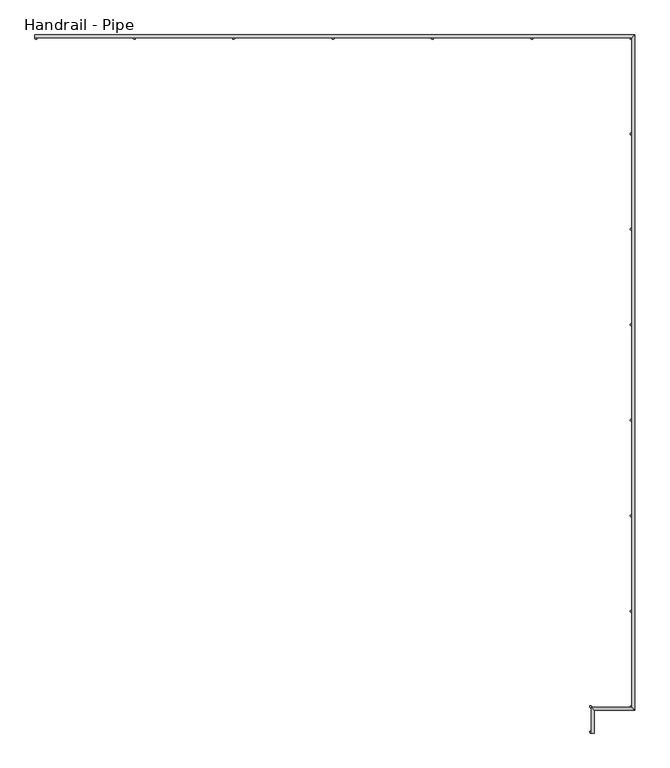
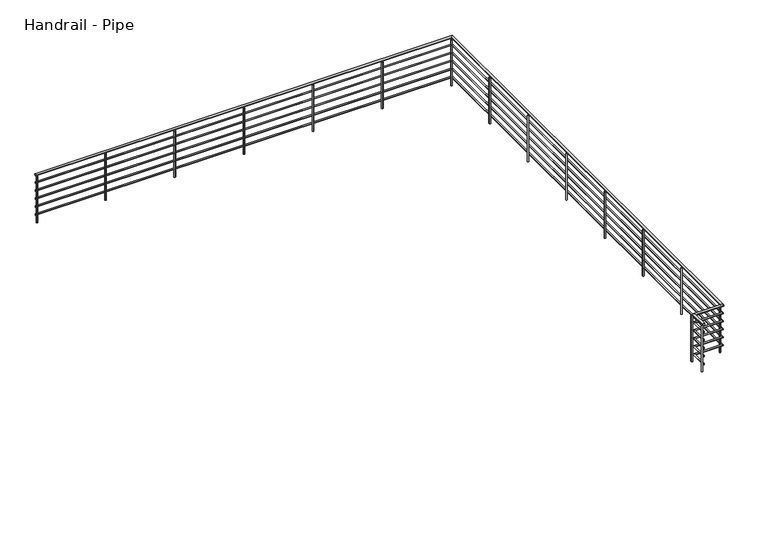
"""IFC4 building model written with IfcOpenShell, lengths in millimetres: railing geometry, Handrail - Pipe."""

from ifc_helpers import new_model, si_unit, point, frame, frame_2d, origin, place, context, project, spatial, circle_curve, ellipse_curve, trimmed, segment, composite_curve, outline, extrude, source, transform, mapped, element, save
from ifc_brep_helpers import plane_surface, cylinder_surface, advanced_brep


def handrail_pipe_a13389eb(model_context):
    return source(origin(), model_context, "Body", "SolidModel", [
        advanced_brep(
        [(58968.4929477, 15909.567798, 4248.15), (59006.5929477, 15909.567798, 4248.15), (58968.4929477, 16233.217798, 4248.15), (59006.5929477, 16195.117798, 4248.15), (59476.4929477, 16233.217798, 4248.15), (59514.5929477, 16195.117798, 4248.15), (59476.4929477, 24615.217798, 4248.15), (59514.5929477, 24653.317798, 4248.15), (52002.5429477, 24615.217798, 4248.15), (52002.5429477, 24653.317798, 4248.15)],
        [
            (0, 1, circle_curve(frame((58987.5429477, 15909.567798, 4248.15), z_axis=(0.0, -1.0, 0.0), x_axis=(1.0, 0.0, 0.0)), 19.05)),
            (1, 0, circle_curve(frame((58987.5429477, 15909.567798, 4248.15), z_axis=(0.0, -1.0, 0.0), x_axis=(1.0, 0.0, 0.0)), 19.05)),
            (0, 2),
            (2, 3, ellipse_curve(frame((58987.5429477, 16214.167798, 4248.15), z_axis=(-0.707106781186549, -0.707106781186546, 0.0), x_axis=(0.707106781186546, -0.707106781186549, 0.0)), 26.9407684, 19.05)),
            (3, 1),
            (3, 2, ellipse_curve(frame((58987.5429477, 16214.167798, 4248.15), z_axis=(-0.707106781186549, -0.707106781186546, 0.0), x_axis=(0.707106781186546, -0.707106781186549, 0.0)), 26.9407684, 19.05)),
            (2, 4),
            (4, 5, ellipse_curve(frame((59495.5429477, 16214.167798, 4248.15), z_axis=(-0.7071067811865498, -0.7071067811865454, 0.0), x_axis=(-0.7071067811865451, 0.7071067811865498, 0.0)), 26.9407684, 19.05)),
            (5, 3),
            (5, 4, ellipse_curve(frame((59495.5429477, 16214.167798, 4248.15), z_axis=(-0.7071067811865498, -0.7071067811865454, 0.0), x_axis=(-0.7071067811865451, 0.7071067811865498, 0.0)), 26.9407684, 19.05)),
            (4, 6),
            (6, 7, ellipse_curve(frame((59495.5429477, 24634.267798, 4248.15), z_axis=(0.7071067811865457, -0.7071067811865492, 0.0), x_axis=(-0.7071067811865491, -0.7071067811865459, 0.0)), 26.9407684, 19.05)),
            (7, 5),
            (7, 6, ellipse_curve(frame((59495.5429477, 24634.267798, 4248.15), z_axis=(0.7071067811865457, -0.7071067811865492, 0.0), x_axis=(-0.7071067811865491, -0.7071067811865459, 0.0)), 26.9407684, 19.05)),
            (8, 9, circle_curve(frame((52002.5429477, 24634.267798, 4248.15), z_axis=(-1.0, 0.0, 0.0), x_axis=(0.0, 1.0, 0.0)), 19.05)),
            (9, 8, circle_curve(frame((52002.5429477, 24634.267798, 4248.15), z_axis=(-1.0, 0.0, 0.0), x_axis=(0.0, 1.0, 0.0)), 19.05)),
            (6, 8),
            (9, 7),
        ],
        [
            plane_surface(frame((58987.5429477, 15909.567798, 4267.2), z_axis=(0.0, -1.0, 0.0), x_axis=(0.0, 0.0, 1.0))),
            cylinder_surface(frame((58987.5429477, 15909.567798, 4248.15), z_axis=(0.0, -1.0, 0.0), x_axis=(1.0, 0.0, 0.0)), 19.05),
            cylinder_surface(frame((58987.5429477, 16214.167798, 4248.15), z_axis=(-1.0, 0.0, 0.0), x_axis=(0.0, -1.0, 0.0)), 19.05),
            cylinder_surface(frame((59495.5429477, 16214.167798, 4248.15), z_axis=(0.0, -1.0, 0.0), x_axis=(1.0, 0.0, 0.0)), 19.05),
            plane_surface(frame((52002.5429477, 24634.267798, 4267.2), z_axis=(-1.0, 0.0, 0.0), x_axis=(0.0, -1.0, 0.0))),
            cylinder_surface(frame((59495.5429477, 24634.267798, 4248.15), z_axis=(1.0, 0.0, 0.0), x_axis=(0.0, 1.0, 0.0)), 19.05),
        ],
        [
            (0, [[1, 2]]),
            (1, [[-1, 3, 4, 5]]),
            (1, [[-2, -5, 6, -3]]),
            (2, [[-4, 7, 8, 9]]),
            (2, [[-6, -9, 10, -7]]),
            (3, [[-8, 11, 12, 13]]),
            (3, [[-10, -13, 14, -11]]),
            (4, [[15, 16]]),
            (5, [[-12, 17, -16, 18]]),
            (5, [[-14, -18, -15, -17]]),
        ],
    ),
        advanced_brep(
        [(58974.8429477, 15909.567798, 4102.1), (59000.2429477, 15909.567798, 4102.1), (58974.8429477, 16226.867798, 4102.1), (59000.2429477, 16201.467798, 4102.1), (59482.8429477, 16226.867798, 4102.1), (59508.2429477, 16201.467798, 4102.1), (59482.8429477, 24621.567798, 4102.1), (59508.2429477, 24646.967798, 4102.1), (52002.5429477, 24621.567798, 4102.1), (52002.5429477, 24646.967798, 4102.1)],
        [
            (0, 1, circle_curve(frame((58987.5429477, 15909.567798, 4102.1), z_axis=(0.0, -1.0, 0.0), x_axis=(1.0, 0.0, 0.0)), 12.7)),
            (1, 0, circle_curve(frame((58987.5429477, 15909.567798, 4102.1), z_axis=(0.0, -1.0, 0.0), x_axis=(1.0, 0.0, 0.0)), 12.7)),
            (0, 2),
            (2, 3, ellipse_curve(frame((58987.5429477, 16214.167798, 4102.1), z_axis=(-0.707106781186549, -0.707106781186546, 0.0), x_axis=(0.707106781186546, -0.707106781186549, 0.0)), 17.9605122, 12.7)),
            (3, 1),
            (3, 2, ellipse_curve(frame((58987.5429477, 16214.167798, 4102.1), z_axis=(-0.707106781186549, -0.707106781186546, 0.0), x_axis=(0.707106781186546, -0.707106781186549, 0.0)), 17.9605122, 12.7)),
            (2, 4),
            (4, 5, ellipse_curve(frame((59495.5429477, 16214.167798, 4102.1), z_axis=(-0.7071067811865498, -0.7071067811865454, 0.0), x_axis=(-0.7071067811865451, 0.7071067811865498, 0.0)), 17.9605122, 12.7)),
            (5, 3),
            (5, 4, ellipse_curve(frame((59495.5429477, 16214.167798, 4102.1), z_axis=(-0.7071067811865498, -0.7071067811865454, 0.0), x_axis=(-0.7071067811865451, 0.7071067811865498, 0.0)), 17.9605122, 12.7)),
            (4, 6),
            (6, 7, ellipse_curve(frame((59495.5429477, 24634.267798, 4102.1), z_axis=(0.7071067811865457, -0.7071067811865492, 0.0), x_axis=(-0.7071067811865491, -0.7071067811865459, 0.0)), 17.9605122, 12.7)),
            (7, 5),
            (7, 6, ellipse_curve(frame((59495.5429477, 24634.267798, 4102.1), z_axis=(0.7071067811865457, -0.7071067811865492, 0.0), x_axis=(-0.7071067811865491, -0.7071067811865459, 0.0)), 17.9605122, 12.7)),
            (8, 9, circle_curve(frame((52002.5429477, 24634.267798, 4102.1), z_axis=(-1.0, 0.0, 0.0), x_axis=(0.0, 1.0, 0.0)), 12.7)),
            (9, 8, circle_curve(frame((52002.5429477, 24634.267798, 4102.1), z_axis=(-1.0, 0.0, 0.0), x_axis=(0.0, 1.0, 0.0)), 12.7)),
            (6, 8),
            (9, 7),
        ],
        [
            plane_surface(frame((58987.5429477, 15909.567798, 4114.8), z_axis=(0.0, -1.0, 0.0), x_axis=(0.0, 0.0, 1.0))),
            cylinder_surface(frame((58987.5429477, 15909.567798, 4102.1), z_axis=(0.0, -1.0, 0.0), x_axis=(1.0, 0.0, 0.0)), 12.7),
            cylinder_surface(frame((58987.5429477, 16214.167798, 4102.1), z_axis=(-1.0, 0.0, 0.0), x_axis=(0.0, -1.0, 0.0)), 12.7),
            cylinder_surface(frame((59495.5429477, 16214.167798, 4102.1), z_axis=(0.0, -1.0, 0.0), x_axis=(1.0, 0.0, 0.0)), 12.7),
            plane_surface(frame((52002.5429477, 24634.267798, 4114.8), z_axis=(-1.0, 0.0, 0.0), x_axis=(0.0, -1.0, 0.0))),
            cylinder_surface(frame((59495.5429477, 24634.267798, 4102.1), z_axis=(1.0, 0.0, 0.0), x_axis=(0.0, 1.0, 0.0)), 12.7),
        ],
        [
            (0, [[1, 2]]),
            (1, [[-1, 3, 4, 5]]),
            (1, [[-2, -5, 6, -3]]),
            (2, [[-4, 7, 8, 9]]),
            (2, [[-6, -9, 10, -7]]),
            (3, [[-8, 11, 12, 13]]),
            (3, [[-10, -13, 14, -11]]),
            (4, [[15, 16]]),
            (5, [[-12, 17, -16, 18]]),
            (5, [[-14, -18, -15, -17]]),
        ],
    ),
        advanced_brep(
        [(58974.8429477, 15909.567798, 3949.7), (59000.2429477, 15909.567798, 3949.7), (58974.8429477, 16226.867798, 3949.7), (59000.2429477, 16201.467798, 3949.7), (59482.8429477, 16226.867798, 3949.7), (59508.2429477, 16201.467798, 3949.7), (59482.8429477, 24621.567798, 3949.7), (59508.2429477, 24646.967798, 3949.7), (52002.5429477, 24621.567798, 3949.7), (52002.5429477, 24646.967798, 3949.7)],
        [
            (0, 1, circle_curve(frame((58987.5429477, 15909.567798, 3949.7), z_axis=(0.0, -1.0, 0.0), x_axis=(1.0, 0.0, 0.0)), 12.7)),
            (1, 0, circle_curve(frame((58987.5429477, 15909.567798, 3949.7), z_axis=(0.0, -1.0, 0.0), x_axis=(1.0, 0.0, 0.0)), 12.7)),
            (0, 2),
            (2, 3, ellipse_curve(frame((58987.5429477, 16214.167798, 3949.7), z_axis=(-0.707106781186549, -0.707106781186546, 0.0), x_axis=(0.707106781186546, -0.707106781186549, 0.0)), 17.9605122, 12.7)),
            (3, 1),
            (3, 2, ellipse_curve(frame((58987.5429477, 16214.167798, 3949.7), z_axis=(-0.707106781186549, -0.707106781186546, 0.0), x_axis=(0.707106781186546, -0.707106781186549, 0.0)), 17.9605122, 12.7)),
            (2, 4),
            (4, 5, ellipse_curve(frame((59495.5429477, 16214.167798, 3949.7), z_axis=(-0.7071067811865498, -0.7071067811865454, 0.0), x_axis=(-0.7071067811865451, 0.7071067811865498, 0.0)), 17.9605122, 12.7)),
            (5, 3),
            (5, 4, ellipse_curve(frame((59495.5429477, 16214.167798, 3949.7), z_axis=(-0.7071067811865498, -0.7071067811865454, 0.0), x_axis=(-0.7071067811865451, 0.7071067811865498, 0.0)), 17.9605122, 12.7)),
            (4, 6),
            (6, 7, ellipse_curve(frame((59495.5429477, 24634.267798, 3949.7), z_axis=(0.7071067811865457, -0.7071067811865492, 0.0), x_axis=(-0.7071067811865491, -0.7071067811865459, 0.0)), 17.9605122, 12.7)),
            (7, 5),
            (7, 6, ellipse_curve(frame((59495.5429477, 24634.267798, 3949.7), z_axis=(0.7071067811865457, -0.7071067811865492, 0.0), x_axis=(-0.7071067811865491, -0.7071067811865459, 0.0)), 17.9605122, 12.7)),
            (8, 9, circle_curve(frame((52002.5429477, 24634.267798, 3949.7), z_axis=(-1.0, 0.0, 0.0), x_axis=(0.0, 1.0, 0.0)), 12.7)),
            (9, 8, circle_curve(frame((52002.5429477, 24634.267798, 3949.7), z_axis=(-1.0, 0.0, 0.0), x_axis=(0.0, 1.0, 0.0)), 12.7)),
            (6, 8),
            (9, 7),
        ],
        [
            plane_surface(frame((58987.5429477, 15909.567798, 3962.4), z_axis=(0.0, -1.0, 0.0), x_axis=(0.0, 0.0, 1.0))),
            cylinder_surface(frame((58987.5429477, 15909.567798, 3949.7), z_axis=(0.0, -1.0, 0.0), x_axis=(1.0, 0.0, 0.0)), 12.7),
            cylinder_surface(frame((58987.5429477, 16214.167798, 3949.7), z_axis=(-1.0, 0.0, 0.0), x_axis=(0.0, -1.0, 0.0)), 12.7),
            cylinder_surface(frame((59495.5429477, 16214.167798, 3949.7), z_axis=(0.0, -1.0, 0.0), x_axis=(1.0, 0.0, 0.0)), 12.7),
            plane_surface(frame((52002.5429477, 24634.267798, 3962.4), z_axis=(-1.0, 0.0, 0.0), x_axis=(0.0, -1.0, 0.0))),
            cylinder_surface(frame((59495.5429477, 24634.267798, 3949.7), z_axis=(1.0, 0.0, 0.0), x_axis=(0.0, 1.0, 0.0)), 12.7),
        ],
        [
            (0, [[1, 2]]),
            (1, [[-1, 3, 4, 5]]),
            (1, [[-2, -5, 6, -3]]),
            (2, [[-4, 7, 8, 9]]),
            (2, [[-6, -9, 10, -7]]),
            (3, [[-8, 11, 12, 13]]),
            (3, [[-10, -13, 14, -11]]),
            (4, [[15, 16]]),
            (5, [[-12, 17, -16, 18]]),
            (5, [[-14, -18, -15, -17]]),
        ],
    ),
        advanced_brep(
        [(58974.8429477, 15909.567798, 3797.3), (59000.2429477, 15909.567798, 3797.3), (58974.8429477, 16226.867798, 3797.3), (59000.2429477, 16201.467798, 3797.3), (59482.8429477, 16226.867798, 3797.3), (59508.2429477, 16201.467798, 3797.3), (59482.8429477, 24621.567798, 3797.3), (59508.2429477, 24646.967798, 3797.3), (52002.5429477, 24621.567798, 3797.3), (52002.5429477, 24646.967798, 3797.3)],
        [
            (0, 1, circle_curve(frame((58987.5429477, 15909.567798, 3797.3), z_axis=(0.0, -1.0, 0.0), x_axis=(1.0, 0.0, 0.0)), 12.7)),
            (1, 0, circle_curve(frame((58987.5429477, 15909.567798, 3797.3), z_axis=(0.0, -1.0, 0.0), x_axis=(1.0, 0.0, 0.0)), 12.7)),
            (0, 2),
            (2, 3, ellipse_curve(frame((58987.5429477, 16214.167798, 3797.3), z_axis=(-0.707106781186549, -0.707106781186546, 0.0), x_axis=(0.707106781186546, -0.707106781186549, 0.0)), 17.9605122, 12.7)),
            (3, 1),
            (3, 2, ellipse_curve(frame((58987.5429477, 16214.167798, 3797.3), z_axis=(-0.707106781186549, -0.707106781186546, 0.0), x_axis=(0.707106781186546, -0.707106781186549, 0.0)), 17.9605122, 12.7)),
            (2, 4),
            (4, 5, ellipse_curve(frame((59495.5429477, 16214.167798, 3797.3), z_axis=(-0.7071067811865498, -0.7071067811865454, 0.0), x_axis=(-0.7071067811865451, 0.7071067811865498, 0.0)), 17.9605122, 12.7)),
            (5, 3),
            (5, 4, ellipse_curve(frame((59495.5429477, 16214.167798, 3797.3), z_axis=(-0.7071067811865498, -0.7071067811865454, 0.0), x_axis=(-0.7071067811865451, 0.7071067811865498, 0.0)), 17.9605122, 12.7)),
            (4, 6),
            (6, 7, ellipse_curve(frame((59495.5429477, 24634.267798, 3797.3), z_axis=(0.7071067811865457, -0.7071067811865492, 0.0), x_axis=(-0.7071067811865491, -0.7071067811865459, 0.0)), 17.9605122, 12.7)),
            (7, 5),
            (7, 6, ellipse_curve(frame((59495.5429477, 24634.267798, 3797.3), z_axis=(0.7071067811865457, -0.7071067811865492, 0.0), x_axis=(-0.7071067811865491, -0.7071067811865459, 0.0)), 17.9605122, 12.7)),
            (8, 9, circle_curve(frame((52002.5429477, 24634.267798, 3797.3), z_axis=(-1.0, 0.0, 0.0), x_axis=(0.0, 1.0, 0.0)), 12.7)),
            (9, 8, circle_curve(frame((52002.5429477, 24634.267798, 3797.3), z_axis=(-1.0, 0.0, 0.0), x_axis=(0.0, 1.0, 0.0)), 12.7)),
            (6, 8),
            (9, 7),
        ],
        [
            plane_surface(frame((58987.5429477, 15909.567798, 3810.0), z_axis=(0.0, -1.0, 0.0), x_axis=(0.0, 0.0, 1.0))),
            cylinder_surface(frame((58987.5429477, 15909.567798, 3797.3), z_axis=(0.0, -1.0, 0.0), x_axis=(1.0, 0.0, 0.0)), 12.7),
            cylinder_surface(frame((58987.5429477, 16214.167798, 3797.3), z_axis=(-1.0, 0.0, 0.0), x_axis=(0.0, -1.0, 0.0)), 12.7),
            cylinder_surface(frame((59495.5429477, 16214.167798, 3797.3), z_axis=(0.0, -1.0, 0.0), x_axis=(1.0, 0.0, 0.0)), 12.7),
            plane_surface(frame((52002.5429477, 24634.267798, 3810.0), z_axis=(-1.0, 0.0, 0.0), x_axis=(0.0, -1.0, 0.0))),
            cylinder_surface(frame((59495.5429477, 24634.267798, 3797.3), z_axis=(1.0, 0.0, 0.0), x_axis=(0.0, 1.0, 0.0)), 12.7),
        ],
        [
            (0, [[1, 2]]),
            (1, [[-1, 3, 4, 5]]),
            (1, [[-2, -5, 6, -3]]),
            (2, [[-4, 7, 8, 9]]),
            (2, [[-6, -9, 10, -7]]),
            (3, [[-8, 11, 12, 13]]),
            (3, [[-10, -13, 14, -11]]),
            (4, [[15, 16]]),
            (5, [[-12, 17, -16, 18]]),
            (5, [[-14, -18, -15, -17]]),
        ],
    ),
        advanced_brep(
        [(58974.8429477, 15909.567798, 3644.9), (59000.2429477, 15909.567798, 3644.9), (58974.8429477, 16226.867798, 3644.9), (59000.2429477, 16201.467798, 3644.9), (59482.8429477, 16226.867798, 3644.9), (59508.2429477, 16201.467798, 3644.9), (59482.8429477, 24621.567798, 3644.9), (59508.2429477, 24646.967798, 3644.9), (52002.5429477, 24621.567798, 3644.9), (52002.5429477, 24646.967798, 3644.9)],
        [
            (0, 1, circle_curve(frame((58987.5429477, 15909.567798, 3644.9), z_axis=(0.0, -1.0, 0.0), x_axis=(1.0, 0.0, 0.0)), 12.7)),
            (1, 0, circle_curve(frame((58987.5429477, 15909.567798, 3644.9), z_axis=(0.0, -1.0, 0.0), x_axis=(1.0, 0.0, 0.0)), 12.7)),
            (0, 2),
            (2, 3, ellipse_curve(frame((58987.5429477, 16214.167798, 3644.9), z_axis=(-0.707106781186549, -0.707106781186546, 0.0), x_axis=(0.707106781186546, -0.707106781186549, 0.0)), 17.9605122, 12.7)),
            (3, 1),
            (3, 2, ellipse_curve(frame((58987.5429477, 16214.167798, 3644.9), z_axis=(-0.707106781186549, -0.707106781186546, 0.0), x_axis=(0.707106781186546, -0.707106781186549, 0.0)), 17.9605122, 12.7)),
            (2, 4),
            (4, 5, ellipse_curve(frame((59495.5429477, 16214.167798, 3644.9), z_axis=(-0.7071067811865498, -0.7071067811865454, 0.0), x_axis=(-0.7071067811865451, 0.7071067811865498, 0.0)), 17.9605122, 12.7)),
            (5, 3),
            (5, 4, ellipse_curve(frame((59495.5429477, 16214.167798, 3644.9), z_axis=(-0.7071067811865498, -0.7071067811865454, 0.0), x_axis=(-0.7071067811865451, 0.7071067811865498, 0.0)), 17.9605122, 12.7)),
            (4, 6),
            (6, 7, ellipse_curve(frame((59495.5429477, 24634.267798, 3644.9), z_axis=(0.7071067811865457, -0.7071067811865492, 0.0), x_axis=(-0.7071067811865491, -0.7071067811865459, 0.0)), 17.9605122, 12.7)),
            (7, 5),
            (7, 6, ellipse_curve(frame((59495.5429477, 24634.267798, 3644.9), z_axis=(0.7071067811865457, -0.7071067811865492, 0.0), x_axis=(-0.7071067811865491, -0.7071067811865459, 0.0)), 17.9605122, 12.7)),
            (8, 9, circle_curve(frame((52002.5429477, 24634.267798, 3644.9), z_axis=(-1.0, 0.0, 0.0), x_axis=(0.0, 1.0, 0.0)), 12.7)),
            (9, 8, circle_curve(frame((52002.5429477, 24634.267798, 3644.9), z_axis=(-1.0, 0.0, 0.0), x_axis=(0.0, 1.0, 0.0)), 12.7)),
            (6, 8),
            (9, 7),
        ],
        [
            plane_surface(frame((58987.5429477, 15909.567798, 3657.6), z_axis=(0.0, -1.0, 0.0), x_axis=(0.0, 0.0, 1.0))),
            cylinder_surface(frame((58987.5429477, 15909.567798, 3644.9), z_axis=(0.0, -1.0, 0.0), x_axis=(1.0, 0.0, 0.0)), 12.7),
            cylinder_surface(frame((58987.5429477, 16214.167798, 3644.9), z_axis=(-1.0, 0.0, 0.0), x_axis=(0.0, -1.0, 0.0)), 12.7),
            cylinder_surface(frame((59495.5429477, 16214.167798, 3644.9), z_axis=(0.0, -1.0, 0.0), x_axis=(1.0, 0.0, 0.0)), 12.7),
            plane_surface(frame((52002.5429477, 24634.267798, 3657.6), z_axis=(-1.0, 0.0, 0.0), x_axis=(0.0, -1.0, 0.0))),
            cylinder_surface(frame((59495.5429477, 24634.267798, 3644.9), z_axis=(1.0, 0.0, 0.0), x_axis=(0.0, 1.0, 0.0)), 12.7),
        ],
        [
            (0, [[1, 2]]),
            (1, [[-1, 3, 4, 5]]),
            (1, [[-2, -5, 6, -3]]),
            (2, [[-4, 7, 8, 9]]),
            (2, [[-6, -9, 10, -7]]),
            (3, [[-8, 11, 12, 13]]),
            (3, [[-10, -13, 14, -11]]),
            (4, [[15, 16]]),
            (5, [[-12, 17, -16, 18]]),
            (5, [[-14, -18, -15, -17]]),
        ],
    ),
        advanced_brep(
        [(58974.8429477, 15909.567798, 3492.5), (59000.2429477, 15909.567798, 3492.5), (58974.8429477, 16226.867798, 3492.5), (59000.2429477, 16201.467798, 3492.5), (59482.8429477, 16226.867798, 3492.5), (59508.2429477, 16201.467798, 3492.5), (59482.8429477, 24621.567798, 3492.5), (59508.2429477, 24646.967798, 3492.5), (52002.5429477, 24621.567798, 3492.5), (52002.5429477, 24646.967798, 3492.5)],
        [
            (0, 1, circle_curve(frame((58987.5429477, 15909.567798, 3492.5), z_axis=(0.0, -1.0, 0.0), x_axis=(1.0, 0.0, 0.0)), 12.7)),
            (1, 0, circle_curve(frame((58987.5429477, 15909.567798, 3492.5), z_axis=(0.0, -1.0, 0.0), x_axis=(1.0, 0.0, 0.0)), 12.7)),
            (0, 2),
            (2, 3, ellipse_curve(frame((58987.5429477, 16214.167798, 3492.5), z_axis=(-0.707106781186549, -0.707106781186546, 0.0), x_axis=(0.707106781186546, -0.707106781186549, 0.0)), 17.9605122, 12.7)),
            (3, 1),
            (3, 2, ellipse_curve(frame((58987.5429477, 16214.167798, 3492.5), z_axis=(-0.707106781186549, -0.707106781186546, 0.0), x_axis=(0.707106781186546, -0.707106781186549, 0.0)), 17.9605122, 12.7)),
            (2, 4),
            (4, 5, ellipse_curve(frame((59495.5429477, 16214.167798, 3492.5), z_axis=(-0.7071067811865498, -0.7071067811865454, 0.0), x_axis=(-0.7071067811865451, 0.7071067811865498, 0.0)), 17.9605122, 12.7)),
            (5, 3),
            (5, 4, ellipse_curve(frame((59495.5429477, 16214.167798, 3492.5), z_axis=(-0.7071067811865498, -0.7071067811865454, 0.0), x_axis=(-0.7071067811865451, 0.7071067811865498, 0.0)), 17.9605122, 12.7)),
            (4, 6),
            (6, 7, ellipse_curve(frame((59495.5429477, 24634.267798, 3492.5), z_axis=(0.7071067811865457, -0.7071067811865492, 0.0), x_axis=(-0.7071067811865491, -0.7071067811865459, 0.0)), 17.9605122, 12.7)),
            (7, 5),
            (7, 6, ellipse_curve(frame((59495.5429477, 24634.267798, 3492.5), z_axis=(0.7071067811865457, -0.7071067811865492, 0.0), x_axis=(-0.7071067811865491, -0.7071067811865459, 0.0)), 17.9605122, 12.7)),
            (8, 9, circle_curve(frame((52002.5429477, 24634.267798, 3492.5), z_axis=(-1.0, 0.0, 0.0), x_axis=(0.0, 1.0, 0.0)), 12.7)),
            (9, 8, circle_curve(frame((52002.5429477, 24634.267798, 3492.5), z_axis=(-1.0, 0.0, 0.0), x_axis=(0.0, 1.0, 0.0)), 12.7)),
            (6, 8),
            (9, 7),
        ],
        [
            plane_surface(frame((58987.5429477, 15909.567798, 3505.2), z_axis=(0.0, -1.0, 0.0), x_axis=(0.0, 0.0, 1.0))),
            cylinder_surface(frame((58987.5429477, 15909.567798, 3492.5), z_axis=(0.0, -1.0, 0.0), x_axis=(1.0, 0.0, 0.0)), 12.7),
            cylinder_surface(frame((58987.5429477, 16214.167798, 3492.5), z_axis=(-1.0, 0.0, 0.0), x_axis=(0.0, -1.0, 0.0)), 12.7),
            cylinder_surface(frame((59495.5429477, 16214.167798, 3492.5), z_axis=(0.0, -1.0, 0.0), x_axis=(1.0, 0.0, 0.0)), 12.7),
            plane_surface(frame((52002.5429477, 24634.267798, 3505.2), z_axis=(-1.0, 0.0, 0.0), x_axis=(0.0, -1.0, 0.0))),
            cylinder_surface(frame((59495.5429477, 24634.267798, 3492.5), z_axis=(1.0, 0.0, 0.0), x_axis=(0.0, 1.0, 0.0)), 12.7),
        ],
        [
            (0, [[1, 2]]),
            (1, [[-1, 3, 4, 5]]),
            (1, [[-2, -5, 6, -3]]),
            (2, [[-4, 7, 8, 9]]),
            (2, [[-6, -9, 10, -7]]),
            (3, [[-8, 11, 12, 13]]),
            (3, [[-10, -13, 14, -11]]),
            (4, [[15, 16]]),
            (5, [[-12, 17, -16, 18]]),
            (5, [[-14, -18, -15, -17]]),
        ],
    ),
        extrude(outline(composite_curve([segment(trimmed(circle_curve(frame_2d((53247.1429477, 24608.867798)), 12.7), [point((53247.1429477, 24596.167798))], [point((53247.1429477, 24621.567798))], False, "CARTESIAN"), True, "CONTINUOUS"), segment(trimmed(circle_curve(frame_2d((53247.1429477, 24608.867798)), 12.7), [point((53247.1429477, 24621.567798))], [point((53247.1429477, 24596.167798))], False, "CARTESIAN"), True, "CONTINUOUS")], self_intersect=False)), frame((0.0, 0.0, 3352.8), z_axis=(0.0, 0.0, 1.0), x_axis=(1.0, 0.0, 0.0)), (0.0, 0.0, 1.0), 876.3),
        extrude(outline(composite_curve([segment(trimmed(circle_curve(frame_2d((54491.7429477, 24608.867798)), 12.7), [point((54491.7429477, 24596.167798))], [point((54491.7429477, 24621.567798))], False, "CARTESIAN"), True, "CONTINUOUS"), segment(trimmed(circle_curve(frame_2d((54491.7429477, 24608.867798)), 12.7), [point((54491.7429477, 24621.567798))], [point((54491.7429477, 24596.167798))], False, "CARTESIAN"), True, "CONTINUOUS")], self_intersect=False)), frame((0.0, 0.0, 3352.8), z_axis=(0.0, 0.0, 1.0), x_axis=(1.0, 0.0, 0.0)), (0.0, 0.0, 1.0), 876.3),
        extrude(outline(composite_curve([segment(trimmed(circle_curve(frame_2d((55736.3429477, 24608.867798)), 12.7), [point((55736.3429477, 24596.167798))], [point((55736.3429477, 24621.567798))], False, "CARTESIAN"), True, "CONTINUOUS"), segment(trimmed(circle_curve(frame_2d((55736.3429477, 24608.867798)), 12.7), [point((55736.3429477, 24621.567798))], [point((55736.3429477, 24596.167798))], False, "CARTESIAN"), True, "CONTINUOUS")], self_intersect=False)), frame((0.0, 0.0, 3352.8), z_axis=(0.0, 0.0, 1.0), x_axis=(1.0, 0.0, 0.0)), (0.0, 0.0, 1.0), 876.3),
        extrude(outline(composite_curve([segment(trimmed(circle_curve(frame_2d((56980.9429477, 24608.867798)), 12.7), [point((56980.9429477, 24596.167798))], [point((56980.9429477, 24621.567798))], False, "CARTESIAN"), True, "CONTINUOUS"), segment(trimmed(circle_curve(frame_2d((56980.9429477, 24608.867798)), 12.7), [point((56980.9429477, 24621.567798))], [point((56980.9429477, 24596.167798))], False, "CARTESIAN"), True, "CONTINUOUS")], self_intersect=False)), frame((0.0, 0.0, 3352.8), z_axis=(0.0, 0.0, 1.0), x_axis=(1.0, 0.0, 0.0)), (0.0, 0.0, 1.0), 876.3),
        extrude(outline(composite_curve([segment(trimmed(circle_curve(frame_2d((58225.5429477, 24608.867798)), 12.7), [point((58225.5429477, 24596.167798))], [point((58225.5429477, 24621.567798))], False, "CARTESIAN"), True, "CONTINUOUS"), segment(trimmed(circle_curve(frame_2d((58225.5429477, 24608.867798)), 12.7), [point((58225.5429477, 24621.567798))], [point((58225.5429477, 24596.167798))], False, "CARTESIAN"), True, "CONTINUOUS")], self_intersect=False)), frame((0.0, 0.0, 3352.8), z_axis=(0.0, 0.0, 1.0), x_axis=(1.0, 0.0, 0.0)), (0.0, 0.0, 1.0), 876.3),
        extrude(outline(composite_curve([segment(trimmed(circle_curve(frame_2d((59470.1429477, 23413.2535123)), 12.7), [point((59457.4429477, 23413.2535123))], [point((59482.8429477, 23413.2535123))], False, "CARTESIAN"), True, "CONTINUOUS"), segment(trimmed(circle_curve(frame_2d((59470.1429477, 23413.2535123)), 12.7), [point((59482.8429477, 23413.2535123))], [point((59457.4429477, 23413.2535123))], False, "CARTESIAN"), True, "CONTINUOUS")], self_intersect=False)), frame((0.0, 0.0, 3352.8), z_axis=(0.0, 0.0, 1.0), x_axis=(1.0, 0.0, 0.0)), (0.0, 0.0, 1.0), 876.3),
        extrude(outline(composite_curve([segment(trimmed(circle_curve(frame_2d((59470.1429477, 22217.6392266)), 12.7), [point((59457.4429477, 22217.6392266))], [point((59482.8429477, 22217.6392266))], False, "CARTESIAN"), True, "CONTINUOUS"), segment(trimmed(circle_curve(frame_2d((59470.1429477, 22217.6392266)), 12.7), [point((59482.8429477, 22217.6392266))], [point((59457.4429477, 22217.6392266))], False, "CARTESIAN"), True, "CONTINUOUS")], self_intersect=False)), frame((0.0, 0.0, 3352.8), z_axis=(0.0, 0.0, 1.0), x_axis=(1.0, 0.0, 0.0)), (0.0, 0.0, 1.0), 876.3),
        extrude(outline(composite_curve([segment(trimmed(circle_curve(frame_2d((59470.1429477, 21022.0249408)), 12.7), [point((59457.4429477, 21022.0249408))], [point((59482.8429477, 21022.0249408))], False, "CARTESIAN"), True, "CONTINUOUS"), segment(trimmed(circle_curve(frame_2d((59470.1429477, 21022.0249408)), 12.7), [point((59482.8429477, 21022.0249408))], [point((59457.4429477, 21022.0249408))], False, "CARTESIAN"), True, "CONTINUOUS")], self_intersect=False)), frame((0.0, 0.0, 3352.8), z_axis=(0.0, 0.0, 1.0), x_axis=(1.0, 0.0, 0.0)), (0.0, 0.0, 1.0), 876.3),
        extrude(outline(composite_curve([segment(trimmed(circle_curve(frame_2d((59470.1429477, 19826.4106551)), 12.7), [point((59457.4429477, 19826.4106551))], [point((59482.8429477, 19826.4106551))], False, "CARTESIAN"), True, "CONTINUOUS"), segment(trimmed(circle_curve(frame_2d((59470.1429477, 19826.4106551)), 12.7), [point((59482.8429477, 19826.4106551))], [point((59457.4429477, 19826.4106551))], False, "CARTESIAN"), True, "CONTINUOUS")], self_intersect=False)), frame((0.0, 0.0, 3352.8), z_axis=(0.0, 0.0, 1.0), x_axis=(1.0, 0.0, 0.0)), (0.0, 0.0, 1.0), 876.3),
        extrude(outline(composite_curve([segment(trimmed(circle_curve(frame_2d((59470.1429477, 18630.7963694)), 12.7), [point((59457.4429477, 18630.7963694))], [point((59482.8429477, 18630.7963694))], False, "CARTESIAN"), True, "CONTINUOUS"), segment(trimmed(circle_curve(frame_2d((59470.1429477, 18630.7963694)), 12.7), [point((59482.8429477, 18630.7963694))], [point((59457.4429477, 18630.7963694))], False, "CARTESIAN"), True, "CONTINUOUS")], self_intersect=False)), frame((0.0, 0.0, 3352.8), z_axis=(0.0, 0.0, 1.0), x_axis=(1.0, 0.0, 0.0)), (0.0, 0.0, 1.0), 876.3),
        extrude(outline(composite_curve([segment(trimmed(circle_curve(frame_2d((59470.1429477, 17435.1820837)), 12.7), [point((59457.4429477, 17435.1820837))], [point((59482.8429477, 17435.1820837))], False, "CARTESIAN"), True, "CONTINUOUS"), segment(trimmed(circle_curve(frame_2d((59470.1429477, 17435.1820837)), 12.7), [point((59482.8429477, 17435.1820837))], [point((59457.4429477, 17435.1820837))], False, "CARTESIAN"), True, "CONTINUOUS")], self_intersect=False)), frame((0.0, 0.0, 3352.8), z_axis=(0.0, 0.0, 1.0), x_axis=(1.0, 0.0, 0.0)), (0.0, 0.0, 1.0), 876.3),
        extrude(outline(composite_curve([segment(trimmed(circle_curve(frame_2d((59470.1429477, 24608.867798)), 12.7), [point((59457.4429477, 24608.867798))], [point((59482.8429477, 24608.867798))], False, "CARTESIAN"), True, "CONTINUOUS"), segment(trimmed(circle_curve(frame_2d((59470.1429477, 24608.867798)), 12.7), [point((59482.8429477, 24608.867798))], [point((59457.4429477, 24608.867798))], False, "CARTESIAN"), True, "CONTINUOUS")], self_intersect=False)), frame((0.0, 0.0, 3352.8), z_axis=(0.0, 0.0, 1.0), x_axis=(1.0, 0.0, 0.0)), (0.0, 0.0, 1.0), 876.3),
        extrude(outline(composite_curve([segment(trimmed(circle_curve(frame_2d((59470.1429477, 16239.567798)), 12.7), [point((59470.1429477, 16252.267798))], [point((59470.1429477, 16226.867798))], False, "CARTESIAN"), True, "CONTINUOUS"), segment(trimmed(circle_curve(frame_2d((59470.1429477, 16239.567798)), 12.7), [point((59470.1429477, 16226.867798))], [point((59470.1429477, 16252.267798))], False, "CARTESIAN"), True, "CONTINUOUS")], self_intersect=False)), frame((0.0, 0.0, 3352.8), z_axis=(0.0, 0.0, 1.0), x_axis=(1.0, 0.0, 0.0)), (0.0, 0.0, 1.0), 876.3),
        extrude(outline(composite_curve([segment(trimmed(circle_curve(frame_2d((58962.1429477, 16239.567798)), 12.7), [point((58949.4429477, 16239.567798))], [point((58974.8429477, 16239.567798))], False, "CARTESIAN"), True, "CONTINUOUS"), segment(trimmed(circle_curve(frame_2d((58962.1429477, 16239.567798)), 12.7), [point((58974.8429477, 16239.567798))], [point((58949.4429477, 16239.567798))], False, "CARTESIAN"), True, "CONTINUOUS")], self_intersect=False)), frame((0.0, 0.0, 3352.8), z_axis=(0.0, 0.0, 1.0), x_axis=(1.0, 0.0, 0.0)), (0.0, 0.0, 1.0), 876.3),
        extrude(outline(composite_curve([segment(trimmed(circle_curve(frame_2d((52015.2429477, 24608.867798)), 12.7), [point((52015.2429477, 24596.167798))], [point((52015.2429477, 24621.567798))], False, "CARTESIAN"), True, "CONTINUOUS"), segment(trimmed(circle_curve(frame_2d((52015.2429477, 24608.867798)), 12.7), [point((52015.2429477, 24621.567798))], [point((52015.2429477, 24596.167798))], False, "CARTESIAN"), True, "CONTINUOUS")], self_intersect=False)), frame((0.0, 0.0, 3352.8), z_axis=(0.0, 0.0, 1.0), x_axis=(1.0, 0.0, 0.0)), (0.0, 0.0, 1.0), 876.3),
        extrude(outline(composite_curve([segment(trimmed(circle_curve(frame_2d((58962.1429477, 15922.267798)), 12.7), [point((58949.4429477, 15922.267798))], [point((58974.8429477, 15922.267798))], False, "CARTESIAN"), True, "CONTINUOUS"), segment(trimmed(circle_curve(frame_2d((58962.1429477, 15922.267798)), 12.7), [point((58974.8429477, 15922.267798))], [point((58949.4429477, 15922.267798))], False, "CARTESIAN"), True, "CONTINUOUS")], self_intersect=False)), frame((0.0, 0.0, 3352.8), z_axis=(0.0, 0.0, 1.0), x_axis=(1.0, 0.0, 0.0)), (0.0, 0.0, 1.0), 876.3),
    ])


if __name__ == "__main__":
    model = new_model("IFC4")
    model_context = context("Model", 3, world=origin())
    ifc_project = project(units=[si_unit("LENGTHUNIT", "METRE", prefix="MILLI")], contexts=[model_context])
    site = spatial("IfcSite", under=ifc_project)
    building = spatial("IfcBuilding", under=site)
    placement = place(None, origin())
    handrail_pipe_shape = handrail_pipe_a13389eb(model_context)
    element("IfcRailing", 1, ObjectType="Handrail - Pipe", at=placement, inside=building, context=model_context, shape_type="MappedRepresentation", body=[
        mapped(handrail_pipe_shape, transform((0.0, 0.0, 0.0), x_axis=(1.0, 0.0, 0.0), y_axis=(0.0, 1.0, 0.0), z_axis=(0.0, 0.0, 1.0))),
    ])
    save(model, "model.ifc")
